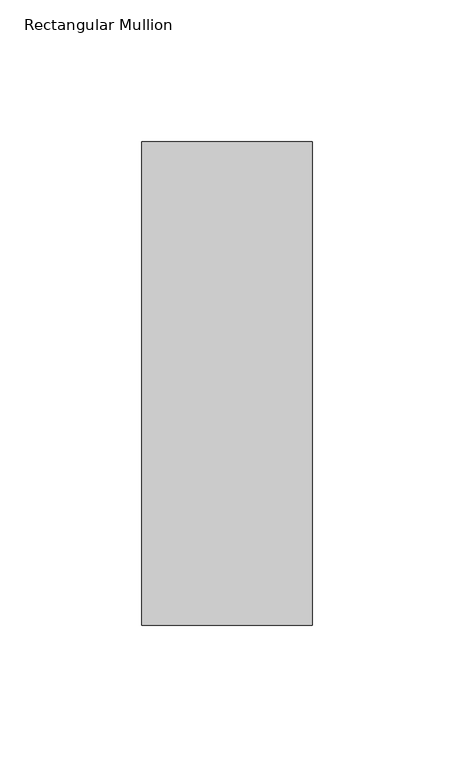
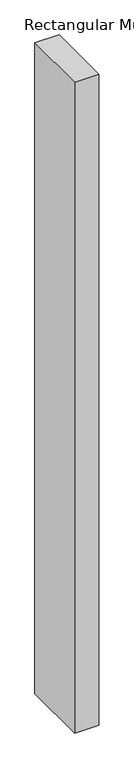
"""IFC4 building model written with IfcOpenShell, lengths in millimetres: member geometry, Rectangular Mullion."""

from ifc_helpers import new_model, si_unit, frame, origin, place, context, project, spatial, polyline, outline, extrude, source, transform, mapped, element, save


def rectangular_mullion_899bdc1d(model_context):
    return source(origin(), model_context, "Body", "SweptSolid", [
        extrude(outline(polyline([(30.0, 130.7), (30.0, -39.7), (-30.0, -39.7), (-30.0, 130.7), (30.0, 130.7)])), frame((0.0, 0.0, -1708.8912252), z_axis=(0.0, 0.0, 1.0), x_axis=(1.0, 0.0, 0.0)), (0.0, 0.0, 1.0), 1708.8912252),
    ])


if __name__ == "__main__":
    model = new_model("IFC4")
    model_context = context("Model", 3, world=origin())
    ifc_project = project(units=[si_unit("LENGTHUNIT", "METRE", prefix="MILLI")], contexts=[model_context])
    site = spatial("IfcSite", under=ifc_project)
    building = spatial("IfcBuilding", under=site)
    placement = place(None, origin())
    rectangular_mullion_shape = rectangular_mullion_899bdc1d(model_context)
    element("IfcMember", 1, ObjectType="Rectangular Mullion", at=placement, inside=building, context=model_context, shape_type="MappedRepresentation", body=[
        mapped(rectangular_mullion_shape, transform((0.0, 0.0, 0.0), x_axis=(1.0, 0.0, 0.0), y_axis=(0.0, 1.0, 0.0), z_axis=(0.0, 0.0, 1.0))),
    ])
    save(model, "model.ifc")
